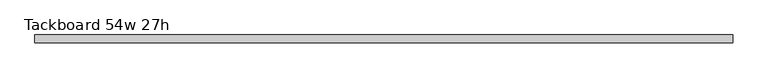
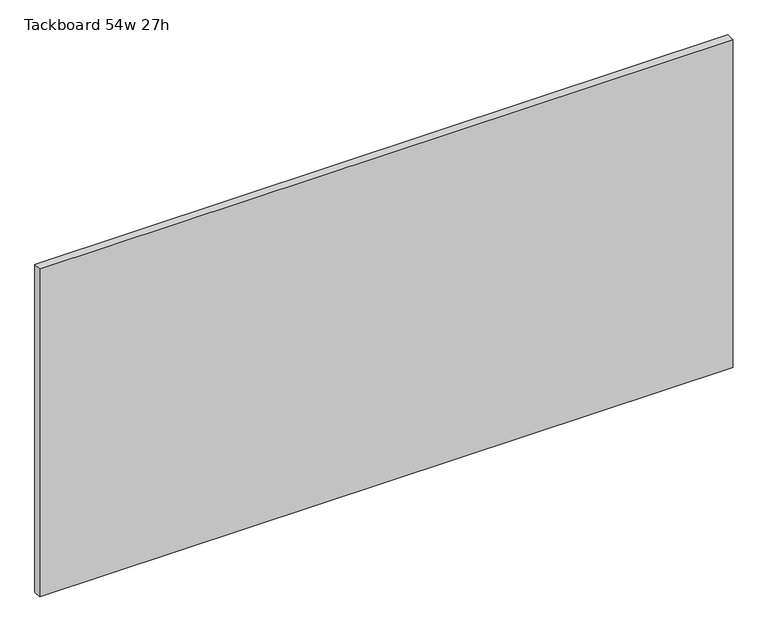
"""IFC4 building model written with IfcOpenShell, lengths in millimetres: furniture geometry, Tackboard 54w 27h."""

import ifcopenshell
import ifcopenshell.guid

model = None  # the IFC model being written
_history = None  # IfcOwnerHistory: only IFC2X3 demands one
_inside = {}  # id of a spatial element -> (the spatial element, [elements in it])
_under = {}  # id of a project, library or spatial element -> (it, [spatial elements below it])
_declared = {}  # id of a project -> (the project, [libraries it declares])
_typed = {}  # id of a type object -> (the type object, [elements of that type])
_made_of = {}  # id of a material, layer set ... -> (it, [elements and type objects made of it])


def new_model(schema):
    """Start an empty IFC model of exactly this schema.

    Asked for "IFC4X3", IfcOpenShell would pick the latest addendum, in which some entities
    have other attributes; the version numbers below select the first issue.
    IFC2X3 requires an IfcOwnerHistory on every rooted entity: one is made here for all.
    """
    global model, _history
    if schema == "IFC4X3":
        model = ifcopenshell.file(schema_version=(4, 3, 0, 0))
    else:
        model = ifcopenshell.file(schema=schema)
    _inside.clear()
    _under.clear()
    _declared.clear()
    _typed.clear()
    _made_of.clear()
    _history = None
    if model.schema == "IFC2X3":
        org = make("IfcOrganization", Name="unknown")
        user = make(
            "IfcPersonAndOrganization",
            ThePerson=make("IfcPerson", FamilyName="unknown"),
            TheOrganization=org,
        )
        app = make(
            "IfcApplication",
            ApplicationDeveloper=org,
            Version="unknown",
            ApplicationFullName="unknown",
            ApplicationIdentifier="unknown",
        )
        _history = make(
            "IfcOwnerHistory",
            OwningUser=user,
            OwningApplication=app,
            ChangeAction="ADDED",
            CreationDate=0,
        )
    return model


def make(cls, **values):
    """One entity of the class cls with the attributes given. An attribute that is None is left unset."""
    return model.create_entity(
        cls, **{name: value for name, value in values.items() if value is not None}
    )


def rooted(cls, **values):
    """An entity with a GlobalId (a new one), such as an element, a storey or a relation."""
    return make(cls, GlobalId=ifcopenshell.guid.new(), OwnerHistory=_history, **values)


def si_unit(unit_type, name, prefix=None):
    """IfcSIUnit, for example si_unit("LENGTHUNIT", "METRE", prefix="MILLI")."""
    return make("IfcSIUnit", UnitType=unit_type, Prefix=prefix, Name=name)


def assignment(units):
    """IfcUnitAssignment: the units of a project."""
    return None if units is None else make("IfcUnitAssignment", Units=units)


def point(xyz):
    """IfcCartesianPoint."""
    return None if xyz is None else make("IfcCartesianPoint", Coordinates=xyz)


def direction(xyz):
    """IfcDirection."""
    return None if xyz is None else make("IfcDirection", DirectionRatios=xyz)


def frame(location, z_axis=None, x_axis=None):
    """IfcAxis2Placement3D, a coordinate frame: its origin and axes. An axis left out is left unset."""
    return make(
        "IfcAxis2Placement3D",
        Location=point(location),
        Axis=direction(z_axis),
        RefDirection=direction(x_axis),
    )


def origin():
    """The frame at (0, 0, 0) with its axes left unset."""
    return frame((0.0, 0.0, 0.0))


def place(relative_to, where):
    """IfcLocalPlacement: puts the frame where relative to a parent placement (None: the world)."""
    return make(
        "IfcLocalPlacement", PlacementRelTo=relative_to, RelativePlacement=where
    )


def context(
    kind, dimensions, precision=None, world=None, true_north=None, identifier=None
):
    """IfcGeometricRepresentationContext, for example the 3D "Model" context."""
    return make(
        "IfcGeometricRepresentationContext",
        ContextIdentifier=identifier,
        ContextType=kind,
        CoordinateSpaceDimension=dimensions,
        Precision=precision,
        WorldCoordinateSystem=world,
        TrueNorth=true_north,
    )


def project(units=None, contexts=None):
    """IfcProject with its units and contexts."""
    return rooted(
        "IfcProject",
        Name="project",
        RepresentationContexts=contexts,
        UnitsInContext=assignment(units),
    )


def spatial(cls, under=None, at=None, **own):
    """A site, building, storey or space (cls), placed at a placement, below another one or the project."""
    s = rooted(cls, ObjectPlacement=at, **own)
    if under is not None:
        _under.setdefault(under.id(), (under, []))[1].append(s)
    return s


def polyline(points):
    """IfcPolyline through the points."""
    return make("IfcPolyline", Points=[point(p) for p in points])


def outline(outer, holes=None, kind="AREA"):
    """IfcArbitraryClosedProfileDef: a profile drawn as a closed curve; with holes, ...WithVoids."""
    if holes is None:
        return make("IfcArbitraryClosedProfileDef", ProfileType=kind, OuterCurve=outer)
    return make(
        "IfcArbitraryProfileDefWithVoids",
        ProfileType=kind,
        OuterCurve=outer,
        InnerCurves=holes,
    )


def extrude(swept, where, along, depth):
    """IfcExtrudedAreaSolid: the profile swept, set in the frame where, extruded along a direction by depth."""
    return make(
        "IfcExtrudedAreaSolid",
        SweptArea=swept,
        Position=where,
        ExtrudedDirection=direction(along),
        Depth=depth,
    )


def shape(context_of_items, identifier, shape_type, items):
    """IfcShapeRepresentation: the items that make up one representation, for example the "Body"."""
    return make(
        "IfcShapeRepresentation",
        ContextOfItems=context_of_items,
        RepresentationIdentifier=identifier,
        RepresentationType=shape_type,
        Items=items,
    )


def source(mapping_origin, context_of_items, identifier, shape_type, items):
    """IfcRepresentationMap: a shape defined once, which mapped items show again and again."""
    return make(
        "IfcRepresentationMap",
        MappingOrigin=mapping_origin,
        MappedRepresentation=shape(context_of_items, identifier, shape_type, items),
    )


def transform(
    local_origin,
    x_axis=None,
    y_axis=None,
    z_axis=None,
    scale=None,
    scale2=None,
    scale3=None,
    uniform=True,
):
    """IfcCartesianTransformationOperator3D, or its non-uniform kind. x_axis, y_axis, z_axis: its Axis1, 2, 3."""
    if uniform:
        return make(
            "IfcCartesianTransformationOperator3D",
            Axis1=direction(x_axis),
            Axis2=direction(y_axis),
            LocalOrigin=point(local_origin),
            Scale=scale,
            Axis3=direction(z_axis),
        )
    return make(
        "IfcCartesianTransformationOperator3DnonUniform",
        Axis1=direction(x_axis),
        Axis2=direction(y_axis),
        LocalOrigin=point(local_origin),
        Scale=scale,
        Axis3=direction(z_axis),
        Scale2=scale2,
        Scale3=scale3,
    )


def mapped(mapping_source, mapping_target):
    """IfcMappedItem: shows the shape of a source again, moved by a transform."""
    return make(
        "IfcMappedItem", MappingSource=mapping_source, MappingTarget=mapping_target
    )


def made_of(thing, what):
    """Note that an element or type object is made of a material, layer set ...; save() writes the relation."""
    if what is not None:
        _made_of.setdefault(what.id(), (what, []))[1].append(thing)
    return thing


def element(
    cls,
    number,
    at=None,
    inside=None,
    cuts=None,
    type_object=None,
    material=None,
    context=None,
    identifier="Body",
    shape_type=None,
    held_by="IfcProductDefinitionShape",
    body=None,
    shapes=None,
    **own,
):
    """One element of the class cls, such as IfcWall. Its Tag is "e" and its number.

    at: its placement. inside: the storey or other place that contains it. cuts: it is an
    opening in that element (IfcRelVoidsElement). A single representation is given by context,
    identifier, shape_type and body (its items); several are given by shapes. held_by: the class
    of the entity that holds the representations. save() writes the other relations.
    """
    e = rooted(cls, Tag="e%d" % number, ObjectPlacement=at, **own)
    if body is not None:
        shapes = [shape(context, identifier, shape_type, body)]
    if shapes is not None:
        e.Representation = make(held_by, Representations=shapes)
    if inside is not None:
        _inside.setdefault(inside.id(), (inside, []))[1].append(e)
    if cuts is not None:
        rooted(
            "IfcRelVoidsElement", RelatingBuildingElement=cuts, RelatedOpeningElement=e
        )
    if type_object is not None:
        _typed.setdefault(type_object.id(), (type_object, []))[1].append(e)
    return made_of(e, material)


def aggregate(whole, parts):
    """IfcRelAggregates: a whole, such as a stair, and the parts it consists of."""
    return rooted("IfcRelAggregates", RelatingObject=whole, RelatedObjects=parts)


def save(model, path):
    """Write the relations noted so far, then the file.

    IfcRelAggregates (storeys below a building ...), IfcRelContainedInSpatialStructure (elements
    in a storey), IfcRelDefinesByType, IfcRelAssociatesMaterial and IfcRelDeclares: one each for
    every whole, place, type object, material and project.
    """
    for whole, parts in _under.values():
        aggregate(whole, parts)
    for where, things in _inside.values():
        rooted(
            "IfcRelContainedInSpatialStructure",
            RelatedElements=things,
            RelatingStructure=where,
        )
    for kind, things in _typed.values():
        rooted("IfcRelDefinesByType", RelatedObjects=things, RelatingType=kind)
    for what, things in _made_of.values():
        rooted("IfcRelAssociatesMaterial", RelatedObjects=things, RelatingMaterial=what)
    for by, libraries in _declared.values():
        rooted("IfcRelDeclares", RelatingContext=by, RelatedDefinitions=libraries)
    model.write(path)


def tackboard_54w_27h_44e14406(model_context):
    return source(origin(), model_context, "Body", "SweptSolid", [
        extrude(outline(polyline([(688.2402902, -28.8968594), (-683.3597098, -28.8968594), (-683.3597098, -13.0218594), (688.2402902, -13.0218594), (688.2402902, -28.8968594)])), frame((0.0, 0.0, 1066.8), z_axis=(0.0, 0.0, 1.0), x_axis=(1.0, 0.0, 0.0)), (0.0, 0.0, 1.0), 685.8),
    ])


if __name__ == "__main__":
    model = new_model("IFC4")
    model_context = context("Model", 3, world=origin())
    ifc_project = project(units=[si_unit("LENGTHUNIT", "METRE", prefix="MILLI")], contexts=[model_context])
    site = spatial("IfcSite", under=ifc_project)
    building = spatial("IfcBuilding", under=site)
    placement = place(None, origin())
    tackboard_54w_27h_shape = tackboard_54w_27h_44e14406(model_context)
    element("IfcFurniture", 1, ObjectType="Tackboard 54w 27h", at=placement, inside=building, context=model_context, shape_type="MappedRepresentation", body=[
        mapped(tackboard_54w_27h_shape, transform((0.0, 0.0, 0.0), x_axis=(1.0, 0.0, 0.0), y_axis=(0.0, 1.0, 0.0), z_axis=(0.0, 0.0, 1.0))),
    ])
    save(model, "model.ifc")
